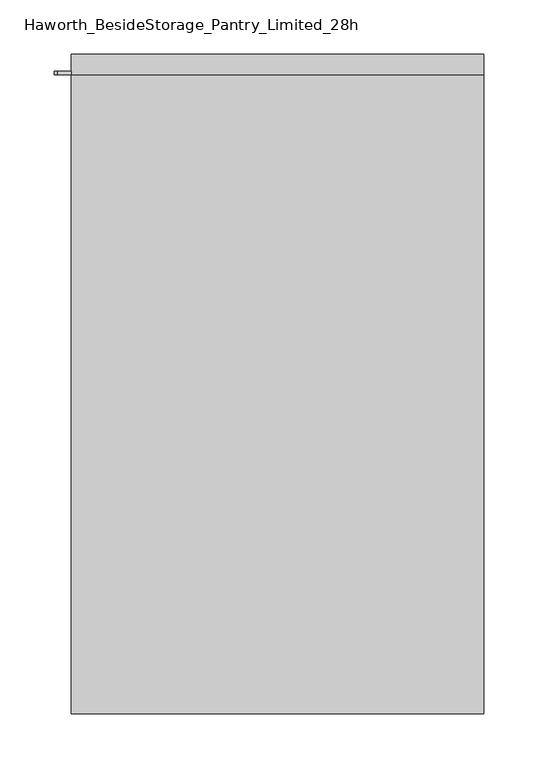
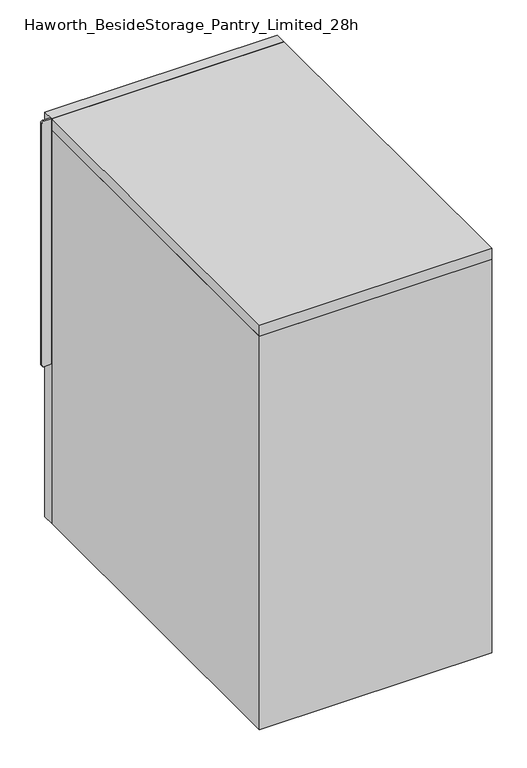
"""IFC4 building model written with IfcOpenShell, lengths in millimetres: furniture geometry, Haworth_BesideStorage_Pantry_Limited_28h."""

from ifc_helpers import new_model, si_unit, point, frame, frame_2d, origin, place, context, project, spatial, polyline, circle_curve, trimmed, segment, composite_curve, outline, extrude, source, transform, mapped, element, save


def haworth_besidestorage_pantry_limited_28h_6a021a5c(model_context):
    return source(origin(), model_context, "Body", "SweptSolid", [
        extrude(outline(composite_curve([segment(polyline([(711.2, -190.5), (711.2, -203.2)]), True, "CONTINUOUS"), segment(trimmed(circle_curve(frame_2d((708.025, -203.2)), 3.175), [point((711.2, -203.2))], [point((708.025, -206.375))], False, "CARTESIAN"), True, "CONTINUOUS"), segment(polyline([(708.025, -206.375), (288.925, -206.375)]), True, "CONTINUOUS"), segment(trimmed(circle_curve(frame_2d((288.925, -203.2)), 3.175), [point((288.925, -206.375))], [point((285.75, -203.2))], False, "CARTESIAN"), True, "CONTINUOUS"), segment(polyline([(285.75, -203.2), (285.75, -190.5), (711.2, -190.5)]), True, "CONTINUOUS")], self_intersect=False)), frame((0.0, 781.05, 0.0), z_axis=(0.0, 1.0, 0.0), x_axis=(0.0, 0.0, 1.0)), (0.0, 0.0, 1.0), 3.175),
        extrude(outline(polyline([(190.5, 800.1), (190.5, 781.05), (-190.5, 781.05), (-190.5, 800.1), (190.5, 800.1)])), frame((0.0, 0.0, 9.525), z_axis=(0.0, 0.0, 1.0), x_axis=(1.0, 0.0, 0.0)), (0.0, 0.0, 1.0), 701.675),
        extrude(outline(polyline([(190.5, 190.5), (-190.5, 190.5), (-190.5, 781.05), (190.5, 781.05), (190.5, 190.5)])), frame((0.0, 0.0, 692.15), z_axis=(0.0, 0.0, 1.0), x_axis=(1.0, 0.0, 0.0)), (0.0, 0.0, 1.0), 19.05),
        extrude(outline(polyline([(171.45, 209.55), (-171.45, 209.55), (-171.45, 781.05), (171.45, 781.05), (171.45, 209.55)])), frame((0.0, 0.0, 9.525), z_axis=(0.0, 0.0, 1.0), x_axis=(1.0, 0.0, 0.0)), (0.0, 0.0, 1.0), 19.05),
        extrude(outline(polyline([(190.5, 190.5), (-190.5, 190.5), (-190.5, 781.05), (-171.45, 781.05), (-171.45, 209.55), (171.45, 209.55), (171.45, 781.05), (190.5, 781.05), (190.5, 190.5)])), frame((0.0, 0.0, 9.525), z_axis=(0.0, 0.0, 1.0), x_axis=(1.0, 0.0, 0.0)), (0.0, 0.0, 1.0), 682.625),
    ])


if __name__ == "__main__":
    model = new_model("IFC4")
    model_context = context("Model", 3, world=origin())
    ifc_project = project(units=[si_unit("LENGTHUNIT", "METRE", prefix="MILLI")], contexts=[model_context])
    site = spatial("IfcSite", under=ifc_project)
    building = spatial("IfcBuilding", under=site)
    placement = place(None, origin())
    haworth_besidestorage_pantry_limited_28h_shape = haworth_besidestorage_pantry_limited_28h_6a021a5c(model_context)
    element("IfcFurniture", 1, ObjectType="Haworth_BesideStorage_Pantry_Limited_28h", at=placement, inside=building, context=model_context, shape_type="MappedRepresentation", body=[
        mapped(haworth_besidestorage_pantry_limited_28h_shape, transform((0.0, 0.0, 0.0), x_axis=(1.0, 0.0, 0.0), y_axis=(0.0, 1.0, 0.0), z_axis=(0.0, 0.0, 1.0))),
    ])
    save(model, "model.ifc")
